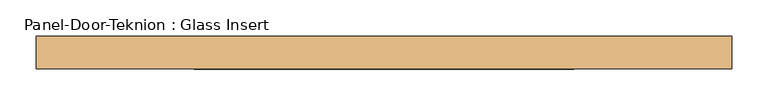
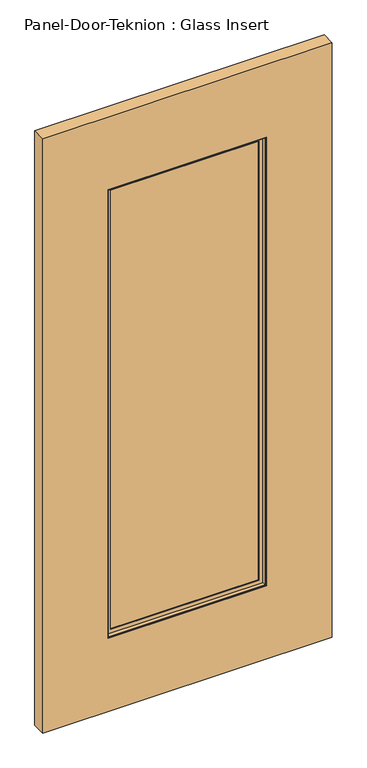
"""IFC4 building model written with IfcOpenShell, lengths in millimetres: door geometry, Panel-Door-Teknion : Glass Insert."""

from ifc_helpers import new_model, si_unit, frame, origin, place, context, project, spatial, polyline, outline, extrude, faceted_brep, source, transform, mapped, element, save


def panel_door_teknion_glass_insert_9f753669(model_context):
    return source(origin(), model_context, "Body", "SolidModel", [
        extrude(outline(polyline([(260.3301563, 3.175), (260.3301563, -3.175), (-260.3301562, -3.175), (-260.3301562, 3.175), (260.3301563, 3.175)])), frame((0.0, 0.0, 266.7), z_axis=(0.0, 0.0, 1.0), x_axis=(1.0, 0.0, 0.0)), (0.0, 0.0, 1.0), 1558.2825997),
        faceted_brep([(-244.4395773, -3.797467, 1809.0920207), (-244.4395773, -6.9755828, 1809.0920207), (-244.4395773, -6.9755828, 282.590579), (-244.4395773, -3.797467, 282.590579), (244.4395773, -6.9755828, 282.590579), (244.4395773, -3.797467, 282.590579), (257.1520405, -6.9755828, 269.8781158), (257.1520405, -6.9755828, 1821.8044839), (-257.1520405, -6.9755828, 1821.8044839), (-257.1520405, -6.9755828, 269.8781158), (244.4395773, -6.9755828, 1809.0920207), (244.4395773, -3.797467, 1809.0920207), (-260.3301562, -3.797467, 266.7), (-260.3301562, -3.797467, 1824.9825997), (260.3301563, -3.797467, 1824.9825997), (260.3301563, -3.797467, 266.7), (-260.3301562, -19.688046, 1824.9825997), (-260.3301562, -19.688046, 266.7), (260.3301563, -19.688046, 266.7), (260.3301563, -19.688046, 1824.9825997), (-257.1520405, -19.688046, 269.8781158), (-257.1520405, -19.688046, 1821.8044839), (257.1520405, -19.688046, 1821.8044839), (257.1520405, -19.688046, 269.8781158)], [[[0, 1, 2, 3]], [[3, 2, 4, 5]], [[6, 7, 8, 9], [2, 1, 10, 4]], [[5, 4, 10, 11]], [[12, 13, 14, 15], [5, 11, 0, 3]], [[16, 13, 12, 17]], [[17, 12, 15, 18]], [[18, 15, 14, 19]], [[18, 19, 16, 17], [20, 21, 22, 23]], [[8, 21, 20, 9]], [[9, 20, 23, 6]], [[6, 23, 22, 7]], [[11, 10, 1, 0]], [[19, 14, 13, 16]], [[7, 22, 21, 8]]]),
        faceted_brep([(-257.1520405, 19.688046, 1821.8044839), (-257.1520405, 6.9755828, 1821.8044839), (-257.1520405, 6.9755828, 269.8781158), (-257.1520405, 19.688046, 269.8781158), (257.1520405, 6.9755828, 269.8781158), (257.1520405, 19.688046, 269.8781158), (257.1520405, 6.9755828, 1821.8044839), (244.4395773, 6.9755828, 282.590579), (244.4395773, 6.9755828, 1809.0920207), (-244.4395773, 6.9755828, 1809.0920207), (-244.4395773, 6.9755828, 282.590579), (257.1520405, 19.688046, 1821.8044839), (-260.3301562, 19.688046, 266.7), (-260.3301562, 19.688046, 1824.9825997), (260.3301563, 19.688046, 1824.9825997), (260.3301563, 19.688046, 266.7), (-260.3301562, 3.797467, 1824.9825997), (-260.3301562, 3.797467, 266.7), (260.3301563, 3.797467, 266.7), (260.3301563, 3.797467, 1824.9825997), (-244.4395773, 3.797467, 282.590579), (-244.4395773, 3.797467, 1809.0920207), (244.4395773, 3.797467, 1809.0920207), (244.4395773, 3.797467, 282.590579)], [[[0, 1, 2, 3]], [[3, 2, 4, 5]], [[2, 1, 6, 4], [7, 8, 9, 10]], [[5, 4, 6, 11]], [[12, 13, 14, 15], [5, 11, 0, 3]], [[16, 13, 12, 17]], [[17, 12, 15, 18]], [[18, 15, 14, 19]], [[18, 19, 16, 17], [20, 21, 22, 23]], [[9, 21, 20, 10]], [[10, 20, 23, 7]], [[7, 23, 22, 8]], [[11, 6, 1, 0]], [[19, 14, 13, 16]], [[8, 22, 21, 9]]]),
        extrude(outline(polyline([(2078.9825997, 476.2301563), (2078.9825997, -476.2301562), (12.7, -476.2301562), (12.7, 476.2301563), (2078.9825997, 476.2301563)]), holes=[polyline([(1824.9825997, -260.3301562), (1824.9825997, 260.3301563), (266.7, 260.3301563), (266.7, -260.3301562), (1824.9825997, -260.3301562)])]), frame((0.0, -22.225, 0.0), z_axis=(0.0, 1.0, 0.0), x_axis=(0.0, 0.0, 1.0)), (0.0, 0.0, 1.0), 44.45),
    ])


if __name__ == "__main__":
    model = new_model("IFC4")
    model_context = context("Model", 3, world=origin())
    ifc_project = project(units=[si_unit("LENGTHUNIT", "METRE", prefix="MILLI")], contexts=[model_context])
    site = spatial("IfcSite", under=ifc_project)
    building = spatial("IfcBuilding", under=site)
    placement = place(None, origin())
    panel_door_teknion_glass_insert_shape = panel_door_teknion_glass_insert_9f753669(model_context)
    element("IfcDoor", 1, ObjectType="Panel-Door-Teknion : Glass Insert", at=placement, inside=building, context=model_context, shape_type="MappedRepresentation", body=[
        mapped(panel_door_teknion_glass_insert_shape, transform((0.0, 0.0, 0.0), x_axis=(1.0, 0.0, 0.0), y_axis=(0.0, 1.0, 0.0), z_axis=(0.0, 0.0, 1.0))),
    ])
    save(model, "model.ifc")
